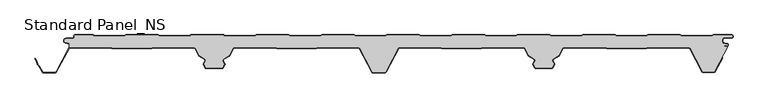
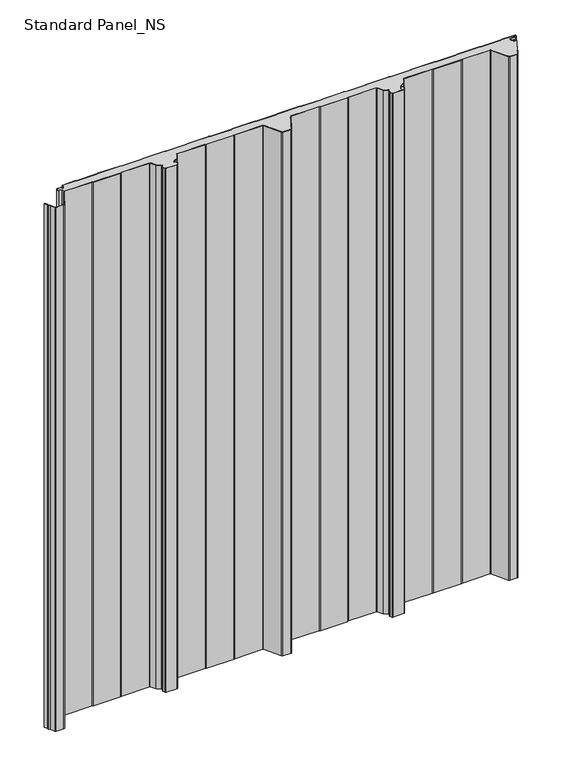
"""IFC4 building model written with IfcOpenShell, lengths in millimetres: proxy geometry, Standard Panel_NS."""

from ifc_helpers import new_model, si_unit, point, frame_2d, origin, origin_with_axes, place, context, project, spatial, polyline, circle_curve, trimmed, segment, composite_curve, outline, extrude, source, transform, mapped, element, save


def standard_panel_ns_31ced9c2(model_context):
    return source(origin(), model_context, "Body", "SweptSolid", [
        extrude(outline(composite_curve([segment(trimmed(circle_curve(frame_2d((-467.4564897, -21.736297)), 2.55), [point((-467.4564897, -19.186297))], [point((-468.8443846, -19.5970804))], True, "CARTESIAN"), True, "CONTINUOUS"), segment(polyline([(-468.8443846, -19.5970804), (-468.8443846, -13.0699171), (-474.2876002, -11.8132517)]), True, "CONTINUOUS"), segment(trimmed(circle_curve(frame_2d((-473.6464897, -9.036297)), 2.85), [point((-474.2876002, -11.8132517))], [point((-473.6464897, -6.186297))], False, "CARTESIAN"), True, "CONTINUOUS"), segment(polyline([(-473.6464897, -6.186297), (-463.8464897, -6.186297)]), True, "CONTINUOUS"), segment(trimmed(circle_curve(frame_2d((-463.8464897, -3.436297)), 2.75), [point((-463.8464897, -6.186297))], [point((-461.0964897, -3.436297))], True, "CARTESIAN"), True, "CONTINUOUS"), segment(polyline([(-461.0964897, -3.436297), (-461.0964897, -2.036297)]), True, "CONTINUOUS"), segment(trimmed(circle_curve(frame_2d((-459.8464897, -2.036297)), 1.25), [point((-461.0964897, -2.036297))], [point((-459.8464897, -0.786297))], False, "CARTESIAN"), True, "CONTINUOUS"), segment(polyline([(-459.8464897, -0.786297), (-432.8331943, -0.786297), (-431.1011435, -1.786297), (-384.6771824, -1.786297), (-382.902681, -0.786297), (-333.8331943, -0.786297), (-332.1011435, -1.8), (-285.6365264, -1.8), (-283.9044756, -0.8), (-234.8331943, -0.8), (-233.1011435, -1.8), (-186.6771824, -1.8), (-184.902681, -0.8), (-135.8331943, -0.8), (-134.1011435, -1.8), (-87.6771824, -1.8), (-85.902681, -0.8), (-36.8331943, -0.8), (-35.1011435, -1.8), (11.3634736, -1.8), (13.0955244, -0.8), (62.1668057, -0.8), (63.8988565, -1.8), (110.3634736, -1.8), (112.0955244, -0.8), (161.1668057, -0.8), (162.8988565, -1.8), (209.3228176, -1.8), (211.097319, -0.8), (260.1668057, -0.8), (261.8988565, -1.8), (308.3634736, -1.8), (310.0955244, -0.8), (359.1668057, -0.8), (360.8988565, -1.8), (407.3634736, -1.8), (409.0955244, -0.8), (458.1668057, -0.8), (459.8988565, -1.8), (506.3634736, -1.8), (508.0955244, -0.8), (535.6535103, -0.8)]), True, "CONTINUOUS"), segment(trimmed(circle_curve(frame_2d((535.6535103, -2.55)), 1.75), [point((535.6535103, -0.8))], [point((535.6535103, -4.3))], False, "CARTESIAN"), True, "CONTINUOUS"), segment(polyline([(535.6535103, -4.3), (526.1535103, -4.3)]), True, "CONTINUOUS"), segment(trimmed(circle_curve(frame_2d((526.1535103, -9.05)), 4.75), [point((526.1535103, -4.3))], [point((525.3286815, -13.7278368))], True, "CARTESIAN"), True, "CONTINUOUS"), segment(polyline([(525.3286815, -13.7278368), (529.6534477, -14.4904098)]), True, "CONTINUOUS"), segment(trimmed(circle_curve(frame_2d((529.5058468, -15.3274964)), 0.85), [point((529.6534477, -14.4904098))], [point((529.6253445, -16.1690547))], False, "CARTESIAN"), True, "CONTINUOUS"), segment(polyline([(529.6253445, -16.1690547), (524.7012285, -16.8682582), (524.8136969, -17.660313), (529.7378129, -16.9611095)]), True, "CONTINUOUS"), segment(trimmed(circle_curve(frame_2d((529.5058468, -15.3274964)), 1.65), [point((529.7378129, -16.9611095))], [point((531.1556156, -15.3551162))], True, "CARTESIAN"), True, "CONTINUOUS"), segment(polyline([(531.1556156, -15.3551162), (531.1556156, -16.7422613), (510.5652518, -55.4671034)]), True, "CONTINUOUS"), segment(trimmed(circle_curve(frame_2d((508.7552093, -54.5046867)), 2.05), [point((510.5652518, -55.4671034))], [point((508.7552093, -56.5546867))], False, "CARTESIAN"), True, "CONTINUOUS"), segment(polyline([(508.7552093, -56.5546867), (493.2446093, -56.5546867)]), True, "CONTINUOUS"), segment(trimmed(circle_curve(frame_2d((493.2446093, -54.5046867)), 2.05), [point((493.2446093, -56.5546867))], [point((491.4348615, -55.4676577))], False, "CARTESIAN"), True, "CONTINUOUS"), segment(polyline([(491.4348615, -55.4676577), (472.9163892, -20.4953296)]), True, "CONTINUOUS"), segment(trimmed(circle_curve(frame_2d((470.7064911, -21.7061794)), 2.5198823), [point((472.9163892, -20.4953296))], [point((470.7064911, -19.186297))], True, "CARTESIAN"), True, "CONTINUOUS"), segment(polyline([(470.7064911, -19.186297), (409.30759, -19.186297), (406.3541332, -20.1546867), (346.4559229, -20.1546867), (343.440414, -19.186297), (281.6583282, -19.186297)]), True, "CONTINUOUS"), segment(trimmed(circle_curve(frame_2d((281.4706486, -20.976486)), 1.8), [point((281.6583282, -19.186297))], [point((279.8813514, -20.1314213))], True, "CARTESIAN"), True, "CONTINUOUS"), segment(polyline([(279.8813514, -20.1314213), (273.7569305, -31.6495044), (264.7735386, -37.3371219)]), True, "CONTINUOUS"), segment(trimmed(circle_curve(frame_2d((265.7364071, -38.8579389)), 1.8), [point((264.7735386, -37.3371219))], [point((264.1273846, -39.6648134))], True, "CARTESIAN"), True, "CONTINUOUS"), segment(polyline([(264.1273846, -39.6648134), (266.7244548, -44.8437404), (263.7468294, -50.4436039), (238.2529825, -50.4436039), (235.2699012, -44.8329103), (237.8617103, -39.6647312)]), True, "CONTINUOUS"), segment(trimmed(circle_curve(frame_2d((236.2527038, -38.8578247)), 1.8), [point((237.8617103, -39.6647312))], [point((237.2156025, -37.3370268))], True, "CARTESIAN"), True, "CONTINUOUS"), segment(polyline([(237.2156025, -37.3370268), (228.2489804, -31.6597772), (222.1195681, -20.1317543)]), True, "CONTINUOUS"), segment(trimmed(circle_curve(frame_2d((220.5302541, -20.9767874)), 1.8), [point((222.1195681, -20.1317543))], [point((220.3454724, -19.186297))], True, "CARTESIAN"), True, "CONTINUOUS"), segment(polyline([(220.3454724, -19.186297), (158.3926889, -19.186297), (156.0110491, -20.1546867), (96.2197082, -20.1546867), (93.8380684, -19.186297), (32.543497, -19.186297)]), True, "CONTINUOUS"), segment(trimmed(circle_curve(frame_2d((32.543497, -21.736297)), 2.55), [point((32.543497, -19.186297))], [point((30.2919806, -20.5391446))], True, "CARTESIAN"), True, "CONTINUOUS"), segment(polyline([(30.2919806, -20.5391446), (11.188746, -56.4671034)]), True, "CONTINUOUS"), segment(trimmed(circle_curve(frame_2d((9.3787035, -55.5046867)), 2.05), [point((11.188746, -56.4671034))], [point((9.3787035, -57.5546867))], False, "CARTESIAN"), True, "CONTINUOUS"), segment(polyline([(9.3787035, -57.5546867), (-7.3788849, -57.5546867)]), True, "CONTINUOUS"), segment(trimmed(circle_curve(frame_2d((-7.3788849, -55.5046867)), 2.05), [point((-7.3788849, -57.5546867))], [point((-9.1889275, -56.4671034))], False, "CARTESIAN"), True, "CONTINUOUS"), segment(polyline([(-9.1889275, -56.4671034), (-28.292162, -20.5391446)]), True, "CONTINUOUS"), segment(trimmed(circle_curve(frame_2d((-30.5436784, -21.736297)), 2.55), [point((-28.292162, -20.5391446))], [point((-30.5436784, -19.186297))], True, "CARTESIAN"), True, "CONTINUOUS"), segment(polyline([(-30.5436784, -19.186297), (-91.8382499, -19.186297), (-94.2198897, -20.1546867), (-154.0112306, -20.1546867), (-156.392871, -19.186297), (-218.5304355, -19.186297)]), True, "CONTINUOUS"), segment(trimmed(circle_curve(frame_2d((-218.5304355, -20.9860322)), 1.7997352), [point((-218.5304355, -19.186297))], [point((-220.1195157, -20.1411234))], True, "CARTESIAN"), True, "CONTINUOUS"), segment(polyline([(-220.1195157, -20.1411234), (-226.2491619, -31.6695862), (-235.2157839, -37.3468358)]), True, "CONTINUOUS"), segment(trimmed(circle_curve(frame_2d((-234.2528851, -38.8676336)), 1.8), [point((-235.2157839, -37.3468358))], [point((-235.8618916, -39.6745401))], True, "CARTESIAN"), True, "CONTINUOUS"), segment(polyline([(-235.8618916, -39.6745401), (-233.2700817, -44.8427209), (-236.2531818, -50.4532499), (-261.74715, -50.4532499), (-264.7246358, -44.8535484), (-262.1275659, -39.6746224)]), True, "CONTINUOUS"), segment(trimmed(circle_curve(frame_2d((-263.7365884, -38.8677478)), 1.8), [point((-262.1275659, -39.6746224))], [point((-262.7737199, -37.3469308))], True, "CARTESIAN"), True, "CONTINUOUS"), segment(polyline([(-262.7737199, -37.3469308), (-271.7571118, -31.6593134), (-277.8815327, -20.1412302)]), True, "CONTINUOUS"), segment(trimmed(circle_curve(frame_2d((-279.4708299, -20.9862949)), 1.8), [point((-277.8815327, -20.1412302))], [point((-279.468044, -19.186297))], True, "CARTESIAN"), True, "CONTINUOUS"), segment(polyline([(-279.468044, -19.186297), (-341.6073108, -19.186297), (-343.9889442, -20.1546867), (-403.7802849, -20.1546867), (-406.1619183, -19.186297), (-467.4564897, -19.186297)]), True, "CONTINUOUS")], self_intersect=False)), origin_with_axes(), (0.0, 0.0, 1.0), 1219.2),
        extrude(outline(composite_curve([segment(trimmed(circle_curve(frame_2d((535.6535103, -2.55)), 2.55), [point((535.6535103, 0.0))], [point((535.6535103, -5.1))], False, "CARTESIAN"), True, "CONTINUOUS"), segment(polyline([(535.6535103, -5.1), (526.1535103, -5.1)]), True, "CONTINUOUS"), segment(trimmed(circle_curve(frame_2d((526.1535103, -9.05)), 3.95), [point((526.1535103, -5.1))], [point((525.4676, -12.9399906))], True, "CARTESIAN"), True, "CONTINUOUS"), segment(polyline([(525.4676, -12.9399906), (529.7923663, -13.7025636)]), True, "CONTINUOUS"), segment(trimmed(circle_curve(frame_2d((529.5058468, -15.3274964)), 1.65), [point((529.7923663, -13.7025636))], [point((529.7378129, -16.9611095))], False, "CARTESIAN"), True, "CONTINUOUS"), segment(polyline([(529.7378129, -16.9611095), (524.8136969, -17.660313), (524.7012285, -16.8682582), (529.6253445, -16.1690547)]), True, "CONTINUOUS"), segment(trimmed(circle_curve(frame_2d((529.5058468, -15.3274964)), 0.85), [point((529.6253445, -16.1690547))], [point((529.6534477, -14.4904098))], True, "CARTESIAN"), True, "CONTINUOUS"), segment(polyline([(529.6534477, -14.4904098), (525.3286815, -13.7278368)]), True, "CONTINUOUS"), segment(trimmed(circle_curve(frame_2d((526.1535103, -9.05)), 4.75), [point((525.3286815, -13.7278368))], [point((526.1535103, -4.3))], False, "CARTESIAN"), True, "CONTINUOUS"), segment(polyline([(526.1535103, -4.3), (535.6535103, -4.3)]), True, "CONTINUOUS"), segment(trimmed(circle_curve(frame_2d((535.6535103, -2.55)), 1.75), [point((535.6535103, -4.3))], [point((535.6535103, -0.8))], True, "CARTESIAN"), True, "CONTINUOUS"), segment(polyline([(535.6535103, -0.8), (508.0955244, -0.8), (506.3634736, -1.8), (459.8988565, -1.8), (458.1668057, -0.8), (409.0955244, -0.8), (407.3634736, -1.8), (360.8988565, -1.8), (359.1668057, -0.8), (310.0955244, -0.8), (308.3634736, -1.8), (261.8988565, -1.8), (260.1668057, -0.8), (211.097319, -0.8), (209.3228176, -1.8), (162.8988565, -1.8), (161.1668057, -0.8), (112.0955244, -0.8), (110.3634736, -1.8), (63.8988565, -1.8), (62.1668057, -0.8), (13.0955244, -0.8), (11.3634736, -1.8), (-35.1011435, -1.8), (-36.8331943, -0.8), (-85.902681, -0.8), (-87.6771824, -1.8), (-134.1011435, -1.8), (-135.8331943, -0.8), (-184.902681, -0.8), (-186.6771824, -1.8), (-233.1011435, -1.8), (-234.8331943, -0.8), (-283.9044756, -0.8), (-285.6365264, -1.8), (-332.1011435, -1.8), (-333.8331943, -0.786297), (-382.902681, -0.786297), (-384.6771824, -1.786297), (-431.1011435, -1.786297), (-432.8331943, -0.786297), (-459.8464897, -0.786297)]), True, "CONTINUOUS"), segment(trimmed(circle_curve(frame_2d((-459.8464897, -2.036297)), 1.25), [point((-459.8464897, -0.786297))], [point((-461.0964897, -2.036297))], True, "CARTESIAN"), True, "CONTINUOUS"), segment(polyline([(-461.0964897, -2.036297), (-461.0964897, -3.436297)]), True, "CONTINUOUS"), segment(trimmed(circle_curve(frame_2d((-463.8464897, -3.436297)), 2.75), [point((-461.0964897, -3.436297))], [point((-463.8464897, -6.186297))], False, "CARTESIAN"), True, "CONTINUOUS"), segment(polyline([(-463.8464897, -6.186297), (-473.6464897, -6.186297)]), True, "CONTINUOUS"), segment(trimmed(circle_curve(frame_2d((-473.6464897, -9.036297)), 2.85), [point((-473.6464897, -6.186297))], [point((-474.2876002, -11.8132517))], True, "CARTESIAN"), True, "CONTINUOUS"), segment(polyline([(-474.2876002, -11.8132517), (-468.8443846, -13.0699171), (-469.0243454, -13.8494131), (-474.4675611, -12.5927478)]), True, "CONTINUOUS"), segment(trimmed(circle_curve(frame_2d((-473.6464897, -9.036297)), 3.65), [point((-474.4675611, -12.5927478))], [point((-473.6464897, -5.386297))], False, "CARTESIAN"), True, "CONTINUOUS"), segment(polyline([(-473.6464897, -5.386297), (-463.8464897, -5.386297)]), True, "CONTINUOUS"), segment(trimmed(circle_curve(frame_2d((-463.8464897, -3.436297)), 1.95), [point((-463.8464897, -5.386297))], [point((-461.8964897, -3.436297))], True, "CARTESIAN"), True, "CONTINUOUS"), segment(polyline([(-461.8964897, -3.436297), (-461.8964897, -2.036297)]), True, "CONTINUOUS"), segment(trimmed(circle_curve(frame_2d((-459.8464897, -2.036297)), 2.05), [point((-461.8964897, -2.036297))], [point((-459.8464897, 0.013703))], False, "CARTESIAN"), True, "CONTINUOUS"), segment(polyline([(-459.8464897, 0.013703), (-432.618835, 0.013703), (-430.8867842, -0.986297), (-384.8870804, -0.986297), (-383.1125789, 0.013703), (-333.618835, 0.013703), (-331.8867842, -1.0), (-285.8508858, -1.0), (-284.118835, 0.0), (-234.618835, 0.0), (-232.8867842, -1.0), (-186.8870804, -1.0), (-185.1125789, 0.0), (-135.618835, 0.0), (-133.8867842, -1.0), (-87.8870804, -1.0), (-86.1125789, 0.0), (-36.618835, 0.0), (-34.8867842, -1.0), (11.1491142, -1.0), (12.881165, 0.0), (62.381165, 0.0), (64.1132158, -1.0), (110.1491142, -1.0), (111.881165, 0.0), (161.381165, 0.0), (163.1132158, -1.0), (209.1129196, -1.0), (210.8874211, 0.0), (260.381165, 0.0), (262.1132158, -1.0), (308.1491142, -1.0), (309.881165, 0.0), (359.381165, 0.0), (361.1132158, -1.0), (407.1491142, -1.0), (408.881165, 0.0), (458.381165, 0.0), (460.1132158, -1.0), (506.1491142, -1.0), (507.881165, 0.0), (535.6535103, 0.0)]), True, "CONTINUOUS")], self_intersect=False)), origin_with_axes(), (0.0, 0.0, 1.0), 1219.2),
        extrude(outline(composite_curve([segment(trimmed(circle_curve(frame_2d((-467.4564897, -21.75)), 1.75), [point((-467.4564897, -20.0))], [point((-469.001648, -20.9284248))], True, "CARTESIAN"), True, "CONTINUOUS"), segment(polyline([(-469.001648, -20.9284248), (-488.1048826, -56.8563836)]), True, "CONTINUOUS"), segment(trimmed(circle_curve(frame_2d((-490.6212832, -55.5183897)), 2.85), [point((-488.1048826, -56.8563836))], [point((-490.6212832, -58.3683897))], False, "CARTESIAN"), True, "CONTINUOUS"), segment(polyline([(-490.6212832, -58.3683897), (-507.3620907, -58.3683897)]), True, "CONTINUOUS"), segment(trimmed(circle_curve(frame_2d((-507.3620907, -55.5183897)), 2.85), [point((-507.3620907, -58.3683897))], [point((-509.8784914, -56.8563836))], False, "CARTESIAN"), True, "CONTINUOUS"), segment(polyline([(-509.8784914, -56.8563836), (-514.7628407, -47.6702585), (-517.1803883, -45.3708693), (-517.7777505, -42.000038), (-520.8462798, -36.2289737), (-520.1399217, -35.8533964), (-517.0120726, -41.7360251), (-516.4385398, -44.9723908), (-514.1174305, -47.1800551), (-509.1721333, -56.4808064)]), True, "CONTINUOUS"), segment(trimmed(circle_curve(frame_2d((-507.3620907, -55.5183897)), 2.05), [point((-509.1721333, -56.4808064))], [point((-507.3620907, -57.5683897))], True, "CARTESIAN"), True, "CONTINUOUS"), segment(polyline([(-507.3620907, -57.5683897), (-490.6212832, -57.5683897)]), True, "CONTINUOUS"), segment(trimmed(circle_curve(frame_2d((-490.6212832, -55.5183897)), 2.05), [point((-490.6212832, -57.5683897))], [point((-488.8112406, -56.4808064))], True, "CARTESIAN"), True, "CONTINUOUS"), segment(polyline([(-488.8112406, -56.4808064), (-469.7080061, -20.5528475)]), True, "CONTINUOUS"), segment(trimmed(circle_curve(frame_2d((-467.4564897, -21.75)), 2.55), [point((-469.7080061, -20.5528475))], [point((-467.4564897, -19.2))], False, "CARTESIAN"), True, "CONTINUOUS"), segment(polyline([(-467.4564897, -19.2), (-406.1619183, -19.2), (-403.7802849, -20.1683897), (-343.9889442, -20.1683897), (-341.6073108, -19.2), (-279.468044, -19.2)]), True, "CONTINUOUS"), segment(trimmed(circle_curve(frame_2d((-279.4708299, -20.9999978)), 1.8), [point((-279.468044, -19.2))], [point((-277.8815327, -20.1549332))], False, "CARTESIAN"), True, "CONTINUOUS"), segment(polyline([(-277.8815327, -20.1549332), (-271.7571118, -31.6730163), (-262.7737199, -37.3606338)]), True, "CONTINUOUS"), segment(trimmed(circle_curve(frame_2d((-263.7365884, -38.8814507)), 1.8), [point((-262.7737199, -37.3606338))], [point((-262.1275659, -39.6883253))], False, "CARTESIAN"), True, "CONTINUOUS"), segment(polyline([(-262.1275659, -39.6883253), (-264.7246358, -44.8672514), (-261.74715, -50.4669529), (-236.2531818, -50.4669529), (-233.2700817, -44.8564238), (-235.8618916, -39.6882431)]), True, "CONTINUOUS"), segment(trimmed(circle_curve(frame_2d((-234.2528851, -38.8813366)), 1.8), [point((-235.8618916, -39.6882431))], [point((-235.2157839, -37.3605387))], False, "CARTESIAN"), True, "CONTINUOUS"), segment(polyline([(-235.2157839, -37.3605387), (-226.2491619, -31.6832892), (-220.1195157, -20.1548264)]), True, "CONTINUOUS"), segment(trimmed(circle_curve(frame_2d((-218.5304355, -20.9997352)), 1.7997352), [point((-220.1195157, -20.1548264))], [point((-218.5304355, -19.2))], False, "CARTESIAN"), True, "CONTINUOUS"), segment(polyline([(-218.5304355, -19.2), (-156.392871, -19.2), (-154.0112306, -20.1683897), (-94.2198897, -20.1683897), (-91.8382499, -19.2), (-30.5436784, -19.2)]), True, "CONTINUOUS"), segment(trimmed(circle_curve(frame_2d((-30.5436784, -21.75)), 2.55), [point((-30.5436784, -19.2))], [point((-28.292162, -20.5528475))], False, "CARTESIAN"), True, "CONTINUOUS"), segment(polyline([(-28.292162, -20.5528475), (-9.1889275, -56.4808064)]), True, "CONTINUOUS"), segment(trimmed(circle_curve(frame_2d((-7.3788849, -55.5183897)), 2.05), [point((-9.1889275, -56.4808064))], [point((-7.3788849, -57.5683897))], True, "CARTESIAN"), True, "CONTINUOUS"), segment(polyline([(-7.3788849, -57.5683897), (9.3787035, -57.5683897)]), True, "CONTINUOUS"), segment(trimmed(circle_curve(frame_2d((9.3787035, -55.5183897)), 2.05), [point((9.3787035, -57.5683897))], [point((11.188746, -56.4808064))], True, "CARTESIAN"), True, "CONTINUOUS"), segment(polyline([(11.188746, -56.4808064), (30.2919806, -20.5528475)]), True, "CONTINUOUS"), segment(trimmed(circle_curve(frame_2d((32.543497, -21.75)), 2.55), [point((30.2919806, -20.5528475))], [point((32.543497, -19.2))], False, "CARTESIAN"), True, "CONTINUOUS"), segment(polyline([(32.543497, -19.2), (93.8380684, -19.2), (96.2197082, -20.1683897), (156.0110491, -20.1683897), (158.3926889, -19.2), (220.3454724, -19.2)]), True, "CONTINUOUS"), segment(trimmed(circle_curve(frame_2d((220.5302541, -20.9904904)), 1.8), [point((220.3454724, -19.2))], [point((222.1195681, -20.1454573))], False, "CARTESIAN"), True, "CONTINUOUS"), segment(polyline([(222.1195681, -20.1454573), (228.2489804, -31.6734802), (237.2156025, -37.3507298)]), True, "CONTINUOUS"), segment(trimmed(circle_curve(frame_2d((236.2527038, -38.8715276)), 1.8), [point((237.2156025, -37.3507298))], [point((237.8617103, -39.6784342))], False, "CARTESIAN"), True, "CONTINUOUS"), segment(polyline([(237.8617103, -39.6784342), (235.2699012, -44.8466132), (238.2529825, -50.4573069), (263.7468294, -50.4573069), (266.7244548, -44.8574433), (264.1273846, -39.6785164)]), True, "CONTINUOUS"), segment(trimmed(circle_curve(frame_2d((265.7364071, -38.8716418)), 1.8), [point((264.1273846, -39.6785164))], [point((264.7735386, -37.3508249))], False, "CARTESIAN"), True, "CONTINUOUS"), segment(polyline([(264.7735386, -37.3508249), (273.7569305, -31.6632074), (279.8813514, -20.1451242)]), True, "CONTINUOUS"), segment(trimmed(circle_curve(frame_2d((281.4706486, -20.9901889)), 1.8), [point((279.8813514, -20.1451242))], [point((281.6583282, -19.2))], False, "CARTESIAN"), True, "CONTINUOUS"), segment(polyline([(281.6583282, -19.2), (343.440414, -19.2), (346.4559229, -20.1683897), (406.3541332, -20.1683897), (409.30759, -19.2), (470.7064911, -19.2)]), True, "CONTINUOUS"), segment(trimmed(circle_curve(frame_2d((470.7064911, -21.7198823)), 2.5198823), [point((470.7064911, -19.2))], [point((472.9163892, -20.5090325))], False, "CARTESIAN"), True, "CONTINUOUS"), segment(polyline([(472.9163892, -20.5090325), (491.4348615, -55.4813607)]), True, "CONTINUOUS"), segment(trimmed(circle_curve(frame_2d((493.2446093, -54.5183897)), 2.05), [point((491.4348615, -55.4813607))], [point((493.2446093, -56.5683897))], True, "CARTESIAN"), True, "CONTINUOUS"), segment(polyline([(493.2446093, -56.5683897), (508.7552093, -56.5683897)]), True, "CONTINUOUS"), segment(trimmed(circle_curve(frame_2d((508.7552093, -54.5183897)), 2.05), [point((508.7552093, -56.5683897))], [point((510.5652518, -55.4808064))], True, "CARTESIAN"), True, "CONTINUOUS"), segment(polyline([(510.5652518, -55.4808064), (521.5330465, -34.8533847), (522.2394046, -35.2289619), (511.2716099, -55.8563836)]), True, "CONTINUOUS"), segment(trimmed(circle_curve(frame_2d((508.7552093, -54.5183897)), 2.85), [point((511.2716099, -55.8563836))], [point((508.7552093, -57.3683897))], False, "CARTESIAN"), True, "CONTINUOUS"), segment(polyline([(508.7552093, -57.3683897), (493.2446093, -57.3683897)]), True, "CONTINUOUS"), segment(trimmed(circle_curve(frame_2d((493.2446093, -54.5183897)), 2.85), [point((493.2446093, -57.3683897))], [point((490.7282086, -55.8563836))], False, "CARTESIAN"), True, "CONTINUOUS"), segment(polyline([(490.7282086, -55.8563836), (472.2123141, -20.8889236)]), True, "CONTINUOUS"), segment(trimmed(circle_curve(frame_2d((470.7064911, -21.7198823)), 1.7198823), [point((472.2123141, -20.8889236))], [point((470.7064911, -20.0))], True, "CARTESIAN"), True, "CONTINUOUS"), segment(polyline([(470.7064911, -20.0), (409.435396, -20.0), (406.4819392, -20.9683897), (346.3306196, -20.9683897), (343.3151107, -20.0), (281.6103837, -20.0)]), True, "CONTINUOUS"), segment(trimmed(circle_curve(frame_2d((281.4706486, -20.9901889)), 1.0), [point((281.6103837, -20.0))], [point((280.5877057, -20.5207085))], True, "CARTESIAN"), True, "CONTINUOUS"), segment(polyline([(280.5877057, -20.5207085), (274.3638391, -32.2258174), (265.2014801, -38.0267435)]), True, "CONTINUOUS"), segment(trimmed(circle_curve(frame_2d((265.7364071, -38.8716418)), 1.0), [point((265.2014801, -38.0267435))], [point((264.8425057, -39.3199055))], True, "CARTESIAN"), True, "CONTINUOUS"), segment(polyline([(264.8425057, -39.3199055), (267.3932697, -44.4064911)]), True, "CONTINUOUS"), segment(trimmed(circle_curve(frame_2d((266.4993683, -44.8547548)), 1.0), [point((267.3932697, -44.4064911))], [point((267.3823077, -45.3242418))], False, "CARTESIAN"), True, "CONTINUOUS"), segment(polyline([(267.3823077, -45.3242418), (264.6506332, -50.4615583)]), True, "CONTINUOUS"), segment(trimmed(circle_curve(frame_2d((263.3262591, -49.7573465)), 1.4999604), [point((264.6506332, -50.4615583))], [point((263.3262591, -51.2573069))], False, "CARTESIAN"), True, "CONTINUOUS"), segment(polyline([(263.3262591, -51.2573069), (238.673644, -51.2573069)]), True, "CONTINUOUS"), segment(trimmed(circle_curve(frame_2d((238.673644, -49.7572281)), 1.5000788), [point((238.673644, -51.2573069))], [point((237.3491357, -50.4614397))], False, "CARTESIAN"), True, "CONTINUOUS"), segment(polyline([(237.3491357, -50.4614397), (234.6120274, -45.3133815)]), True, "CONTINUOUS"), segment(trimmed(circle_curve(frame_2d((235.4949866, -44.8439317)), 1.0), [point((234.6120274, -45.3133815))], [point((234.6010941, -44.3956503))], False, "CARTESIAN"), True, "CONTINUOUS"), segment(polyline([(234.6010941, -44.3956503), (237.1465963, -39.319809)]), True, "CONTINUOUS"), segment(trimmed(circle_curve(frame_2d((236.2527038, -38.8715276)), 1.0), [point((237.1465963, -39.319809))], [point((236.7876475, -38.0266399))], True, "CARTESIAN"), True, "CONTINUOUS"), segment(polyline([(236.7876475, -38.0266399), (227.6420606, -32.2360781), (221.4132063, -20.5210275)]), True, "CONTINUOUS"), segment(trimmed(circle_curve(frame_2d((220.5302541, -20.9904904)), 1.0), [point((221.4132063, -20.5210275))], [point((220.3926719, -20.0))], True, "CARTESIAN"), True, "CONTINUOUS"), segment(polyline([(220.3926719, -20.0), (158.5491133, -20.0), (156.1674734, -20.9683897), (96.0632839, -20.9683897), (93.6816441, -20.0), (32.543497, -20.0)]), True, "CONTINUOUS"), segment(trimmed(circle_curve(frame_2d((32.543497, -21.75)), 1.75), [point((32.543497, -20.0))], [point((30.9983387, -20.9284248))], True, "CARTESIAN"), True, "CONTINUOUS"), segment(polyline([(30.9983387, -20.9284248), (11.8951041, -56.8563836)]), True, "CONTINUOUS"), segment(trimmed(circle_curve(frame_2d((9.3787035, -55.5183897)), 2.85), [point((11.8951041, -56.8563836))], [point((9.3787035, -58.3683897))], False, "CARTESIAN"), True, "CONTINUOUS"), segment(polyline([(9.3787035, -58.3683897), (-7.3788849, -58.3683897)]), True, "CONTINUOUS"), segment(trimmed(circle_curve(frame_2d((-7.3788849, -55.5183897)), 2.85), [point((-7.3788849, -58.3683897))], [point((-9.8952855, -56.8563836))], False, "CARTESIAN"), True, "CONTINUOUS"), segment(polyline([(-9.8952855, -56.8563836), (-28.9985201, -20.9284248)]), True, "CONTINUOUS"), segment(trimmed(circle_curve(frame_2d((-30.5436784, -21.75)), 1.75), [point((-28.9985201, -20.9284248))], [point((-30.5436784, -20.0))], True, "CARTESIAN"), True, "CONTINUOUS"), segment(polyline([(-30.5436784, -20.0), (-91.6818255, -20.0), (-94.0634654, -20.9683897), (-154.1676549, -20.9683897), (-156.5492953, -19.9999999), (-218.5304355, -19.9999999)]), True, "CONTINUOUS"), segment(trimmed(circle_curve(frame_2d((-218.5304355, -20.9997352)), 0.9997353), [point((-218.5304355, -19.9999999))], [point((-219.413154, -20.5303966))], True, "CARTESIAN"), True, "CONTINUOUS"), segment(polyline([(-219.413154, -20.5303966), (-225.6422421, -32.2458871), (-234.7878289, -38.0364489)]), True, "CONTINUOUS"), segment(trimmed(circle_curve(frame_2d((-234.2528851, -38.8813366)), 1.0), [point((-234.7878289, -38.0364489))], [point((-235.1467776, -39.329618))], True, "CARTESIAN"), True, "CONTINUOUS"), segment(polyline([(-235.1467776, -39.329618), (-232.6012754, -44.4054592)]), True, "CONTINUOUS"), segment(trimmed(circle_curve(frame_2d((-233.4951679, -44.8537406)), 1.0), [point((-232.6012754, -44.4054592))], [point((-232.6122157, -45.3232034))], False, "CARTESIAN"), True, "CONTINUOUS"), segment(polyline([(-232.6122157, -45.3232034), (-235.3493606, -50.4711471)]), True, "CONTINUOUS"), segment(trimmed(circle_curve(frame_2d((-236.6737889, -49.7669529)), 1.5), [point((-235.3493606, -50.4711471))], [point((-236.6737889, -51.2669529))], False, "CARTESIAN"), True, "CONTINUOUS"), segment(polyline([(-236.6737889, -51.2669529), (-261.2993182, -51.2669529)]), True, "CONTINUOUS"), segment(trimmed(circle_curve(frame_2d((-261.3264221, -49.7671978)), 1.5), [point((-261.2993182, -51.2669529))], [point((-262.6508365, -50.4714183))], False, "CARTESIAN"), True, "CONTINUOUS"), segment(polyline([(-262.6508365, -50.4714183), (-265.3824926, -45.3340441)]), True, "CONTINUOUS"), segment(trimmed(circle_curve(frame_2d((-264.4995496, -44.8645637)), 1.0), [point((-265.3824926, -45.3340441))], [point((-265.393451, -44.4163001))], False, "CARTESIAN"), True, "CONTINUOUS"), segment(polyline([(-265.393451, -44.4163001), (-262.842687, -39.3297144)]), True, "CONTINUOUS"), segment(trimmed(circle_curve(frame_2d((-263.7365884, -38.8814507)), 1.0), [point((-262.842687, -39.3297144))], [point((-263.2016615, -38.0365524))], True, "CARTESIAN"), True, "CONTINUOUS"), segment(polyline([(-263.2016615, -38.0365524), (-272.3640204, -32.2356263), (-278.587887, -20.5305175)]), True, "CONTINUOUS"), segment(trimmed(circle_curve(frame_2d((-279.4708299, -20.9999978)), 1.0), [point((-278.587887, -20.5305175))], [point((-279.4687534, -20.0))], True, "CARTESIAN"), True, "CONTINUOUS"), segment(polyline([(-279.4687534, -20.0), (-341.4508861, -20.0), (-343.8325195, -20.9683897), (-403.9367096, -20.9683897), (-406.318343, -20.0), (-467.4564897, -20.0)]), True, "CONTINUOUS")], self_intersect=False)), origin_with_axes(), (0.0, 0.0, 1.0), 1219.2),
    ])


if __name__ == "__main__":
    model = new_model("IFC4")
    model_context = context("Model", 3, world=origin())
    ifc_project = project(units=[si_unit("LENGTHUNIT", "METRE", prefix="MILLI")], contexts=[model_context])
    site = spatial("IfcSite", under=ifc_project)
    building = spatial("IfcBuilding", under=site)
    placement = place(None, origin())
    standard_panel_ns_shape = standard_panel_ns_31ced9c2(model_context)
    element("IfcBuildingElementProxy", 1, Name="Standard Panel_NS", ObjectType="Standard Panel_NS", at=placement, inside=building, context=model_context, shape_type="MappedRepresentation", body=[
        mapped(standard_panel_ns_shape, transform((0.0, 0.0, 0.0), x_axis=(1.0, 0.0, 0.0), y_axis=(0.0, 1.0, 0.0), z_axis=(0.0, 0.0, 1.0))),
    ])
    save(model, "model.ifc")
